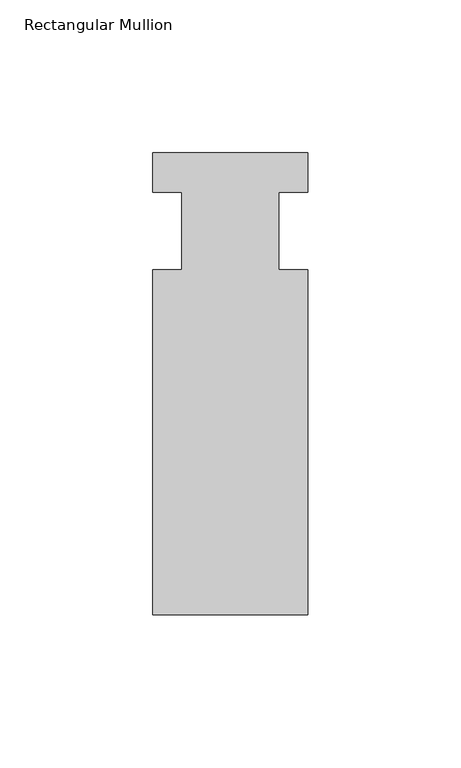
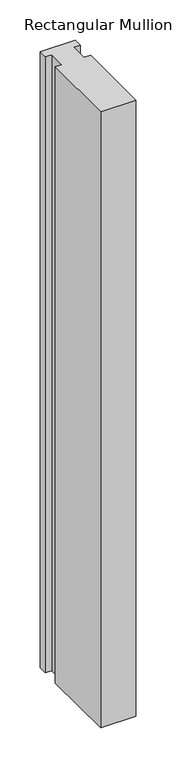
"""IFC4 building model written with IfcOpenShell, lengths in millimetres: member geometry, Rectangular Mullion."""

import ifcopenshell
import ifcopenshell.guid

model = None  # the IFC model being written
_history = None  # IfcOwnerHistory: only IFC2X3 demands one
_inside = {}  # id of a spatial element -> (the spatial element, [elements in it])
_under = {}  # id of a project, library or spatial element -> (it, [spatial elements below it])
_declared = {}  # id of a project -> (the project, [libraries it declares])
_typed = {}  # id of a type object -> (the type object, [elements of that type])
_made_of = {}  # id of a material, layer set ... -> (it, [elements and type objects made of it])


def new_model(schema):
    """Start an empty IFC model of exactly this schema.

    Asked for "IFC4X3", IfcOpenShell would pick the latest addendum, in which some entities
    have other attributes; the version numbers below select the first issue.
    IFC2X3 requires an IfcOwnerHistory on every rooted entity: one is made here for all.
    """
    global model, _history
    if schema == "IFC4X3":
        model = ifcopenshell.file(schema_version=(4, 3, 0, 0))
    else:
        model = ifcopenshell.file(schema=schema)
    _inside.clear()
    _under.clear()
    _declared.clear()
    _typed.clear()
    _made_of.clear()
    _history = None
    if model.schema == "IFC2X3":
        org = make("IfcOrganization", Name="unknown")
        user = make(
            "IfcPersonAndOrganization",
            ThePerson=make("IfcPerson", FamilyName="unknown"),
            TheOrganization=org,
        )
        app = make(
            "IfcApplication",
            ApplicationDeveloper=org,
            Version="unknown",
            ApplicationFullName="unknown",
            ApplicationIdentifier="unknown",
        )
        _history = make(
            "IfcOwnerHistory",
            OwningUser=user,
            OwningApplication=app,
            ChangeAction="ADDED",
            CreationDate=0,
        )
    return model


def make(cls, **values):
    """One entity of the class cls with the attributes given. An attribute that is None is left unset."""
    return model.create_entity(
        cls, **{name: value for name, value in values.items() if value is not None}
    )


def rooted(cls, **values):
    """An entity with a GlobalId (a new one), such as an element, a storey or a relation."""
    return make(cls, GlobalId=ifcopenshell.guid.new(), OwnerHistory=_history, **values)


def si_unit(unit_type, name, prefix=None):
    """IfcSIUnit, for example si_unit("LENGTHUNIT", "METRE", prefix="MILLI")."""
    return make("IfcSIUnit", UnitType=unit_type, Prefix=prefix, Name=name)


def assignment(units):
    """IfcUnitAssignment: the units of a project."""
    return None if units is None else make("IfcUnitAssignment", Units=units)


def point(xyz):
    """IfcCartesianPoint."""
    return None if xyz is None else make("IfcCartesianPoint", Coordinates=xyz)


def direction(xyz):
    """IfcDirection."""
    return None if xyz is None else make("IfcDirection", DirectionRatios=xyz)


def frame(location, z_axis=None, x_axis=None):
    """IfcAxis2Placement3D, a coordinate frame: its origin and axes. An axis left out is left unset."""
    return make(
        "IfcAxis2Placement3D",
        Location=point(location),
        Axis=direction(z_axis),
        RefDirection=direction(x_axis),
    )


def origin():
    """The frame at (0, 0, 0) with its axes left unset."""
    return frame((0.0, 0.0, 0.0))


def place(relative_to, where):
    """IfcLocalPlacement: puts the frame where relative to a parent placement (None: the world)."""
    return make(
        "IfcLocalPlacement", PlacementRelTo=relative_to, RelativePlacement=where
    )


def context(
    kind, dimensions, precision=None, world=None, true_north=None, identifier=None
):
    """IfcGeometricRepresentationContext, for example the 3D "Model" context."""
    return make(
        "IfcGeometricRepresentationContext",
        ContextIdentifier=identifier,
        ContextType=kind,
        CoordinateSpaceDimension=dimensions,
        Precision=precision,
        WorldCoordinateSystem=world,
        TrueNorth=true_north,
    )


def project(units=None, contexts=None):
    """IfcProject with its units and contexts."""
    return rooted(
        "IfcProject",
        Name="project",
        RepresentationContexts=contexts,
        UnitsInContext=assignment(units),
    )


def spatial(cls, under=None, at=None, **own):
    """A site, building, storey or space (cls), placed at a placement, below another one or the project."""
    s = rooted(cls, ObjectPlacement=at, **own)
    if under is not None:
        _under.setdefault(under.id(), (under, []))[1].append(s)
    return s


def polyline(points):
    """IfcPolyline through the points."""
    return make("IfcPolyline", Points=[point(p) for p in points])


def outline(outer, holes=None, kind="AREA"):
    """IfcArbitraryClosedProfileDef: a profile drawn as a closed curve; with holes, ...WithVoids."""
    if holes is None:
        return make("IfcArbitraryClosedProfileDef", ProfileType=kind, OuterCurve=outer)
    return make(
        "IfcArbitraryProfileDefWithVoids",
        ProfileType=kind,
        OuterCurve=outer,
        InnerCurves=holes,
    )


def extrude(swept, where, along, depth):
    """IfcExtrudedAreaSolid: the profile swept, set in the frame where, extruded along a direction by depth."""
    return make(
        "IfcExtrudedAreaSolid",
        SweptArea=swept,
        Position=where,
        ExtrudedDirection=direction(along),
        Depth=depth,
    )


def shape(context_of_items, identifier, shape_type, items):
    """IfcShapeRepresentation: the items that make up one representation, for example the "Body"."""
    return make(
        "IfcShapeRepresentation",
        ContextOfItems=context_of_items,
        RepresentationIdentifier=identifier,
        RepresentationType=shape_type,
        Items=items,
    )


def source(mapping_origin, context_of_items, identifier, shape_type, items):
    """IfcRepresentationMap: a shape defined once, which mapped items show again and again."""
    return make(
        "IfcRepresentationMap",
        MappingOrigin=mapping_origin,
        MappedRepresentation=shape(context_of_items, identifier, shape_type, items),
    )


def transform(
    local_origin,
    x_axis=None,
    y_axis=None,
    z_axis=None,
    scale=None,
    scale2=None,
    scale3=None,
    uniform=True,
):
    """IfcCartesianTransformationOperator3D, or its non-uniform kind. x_axis, y_axis, z_axis: its Axis1, 2, 3."""
    if uniform:
        return make(
            "IfcCartesianTransformationOperator3D",
            Axis1=direction(x_axis),
            Axis2=direction(y_axis),
            LocalOrigin=point(local_origin),
            Scale=scale,
            Axis3=direction(z_axis),
        )
    return make(
        "IfcCartesianTransformationOperator3DnonUniform",
        Axis1=direction(x_axis),
        Axis2=direction(y_axis),
        LocalOrigin=point(local_origin),
        Scale=scale,
        Axis3=direction(z_axis),
        Scale2=scale2,
        Scale3=scale3,
    )


def mapped(mapping_source, mapping_target):
    """IfcMappedItem: shows the shape of a source again, moved by a transform."""
    return make(
        "IfcMappedItem", MappingSource=mapping_source, MappingTarget=mapping_target
    )


def made_of(thing, what):
    """Note that an element or type object is made of a material, layer set ...; save() writes the relation."""
    if what is not None:
        _made_of.setdefault(what.id(), (what, []))[1].append(thing)
    return thing


def element(
    cls,
    number,
    at=None,
    inside=None,
    cuts=None,
    type_object=None,
    material=None,
    context=None,
    identifier="Body",
    shape_type=None,
    held_by="IfcProductDefinitionShape",
    body=None,
    shapes=None,
    **own,
):
    """One element of the class cls, such as IfcWall. Its Tag is "e" and its number.

    at: its placement. inside: the storey or other place that contains it. cuts: it is an
    opening in that element (IfcRelVoidsElement). A single representation is given by context,
    identifier, shape_type and body (its items); several are given by shapes. held_by: the class
    of the entity that holds the representations. save() writes the other relations.
    """
    e = rooted(cls, Tag="e%d" % number, ObjectPlacement=at, **own)
    if body is not None:
        shapes = [shape(context, identifier, shape_type, body)]
    if shapes is not None:
        e.Representation = make(held_by, Representations=shapes)
    if inside is not None:
        _inside.setdefault(inside.id(), (inside, []))[1].append(e)
    if cuts is not None:
        rooted(
            "IfcRelVoidsElement", RelatingBuildingElement=cuts, RelatedOpeningElement=e
        )
    if type_object is not None:
        _typed.setdefault(type_object.id(), (type_object, []))[1].append(e)
    return made_of(e, material)


def aggregate(whole, parts):
    """IfcRelAggregates: a whole, such as a stair, and the parts it consists of."""
    return rooted("IfcRelAggregates", RelatingObject=whole, RelatedObjects=parts)


def save(model, path):
    """Write the relations noted so far, then the file.

    IfcRelAggregates (storeys below a building ...), IfcRelContainedInSpatialStructure (elements
    in a storey), IfcRelDefinesByType, IfcRelAssociatesMaterial and IfcRelDeclares: one each for
    every whole, place, type object, material and project.
    """
    for whole, parts in _under.values():
        aggregate(whole, parts)
    for where, things in _inside.values():
        rooted(
            "IfcRelContainedInSpatialStructure",
            RelatedElements=things,
            RelatingStructure=where,
        )
    for kind, things in _typed.values():
        rooted("IfcRelDefinesByType", RelatedObjects=things, RelatingType=kind)
    for what, things in _made_of.values():
        rooted("IfcRelAssociatesMaterial", RelatedObjects=things, RelatingMaterial=what)
    for by, libraries in _declared.values():
        rooted("IfcRelDeclares", RelatingContext=by, RelatedDefinitions=libraries)
    model.write(path)


def rectangular_mullion_9839a27c(model_context):
    return source(origin(), model_context, "Body", "SweptSolid", [
        extrude(outline(polyline([(-25.4, 25.5984375), (25.4, 25.5984375), (25.4, 12.7), (15.875, 12.7), (15.875, -12.7), (25.4, -12.7), (25.4, -125.6109375), (-25.4, -125.6109375), (-25.4, -12.7), (-15.875, -12.7), (-15.875, 12.7), (-25.4, 12.7), (-25.4, 25.5984375)])), frame((0.0, 0.0, -939.8), z_axis=(0.0, 0.0, 1.0), x_axis=(1.0, 0.0, 0.0)), (0.0, 0.0, 1.0), 939.8),
    ])


if __name__ == "__main__":
    model = new_model("IFC4")
    model_context = context("Model", 3, world=origin())
    ifc_project = project(units=[si_unit("LENGTHUNIT", "METRE", prefix="MILLI")], contexts=[model_context])
    site = spatial("IfcSite", under=ifc_project)
    building = spatial("IfcBuilding", under=site)
    placement = place(None, origin())
    rectangular_mullion_shape = rectangular_mullion_9839a27c(model_context)
    element("IfcMember", 1, ObjectType="Rectangular Mullion", at=placement, inside=building, context=model_context, shape_type="MappedRepresentation", body=[
        mapped(rectangular_mullion_shape, transform((0.0, 0.0, 0.0), x_axis=(1.0, 0.0, 0.0), y_axis=(0.0, 1.0, 0.0), z_axis=(0.0, 0.0, 1.0))),
    ])
    save(model, "model.ifc")
